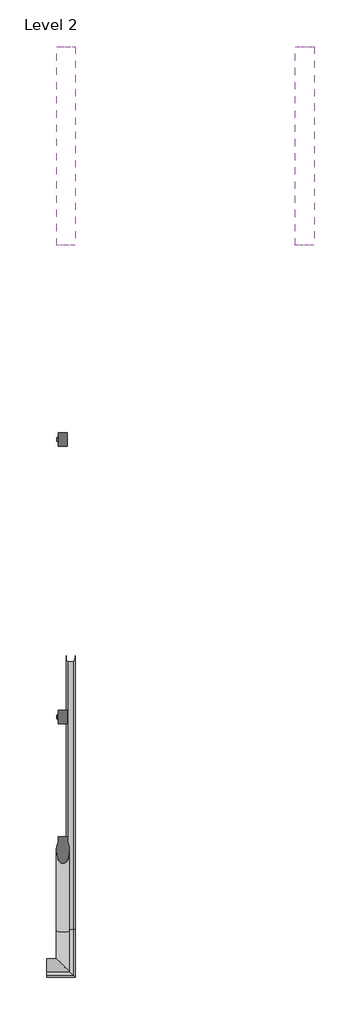
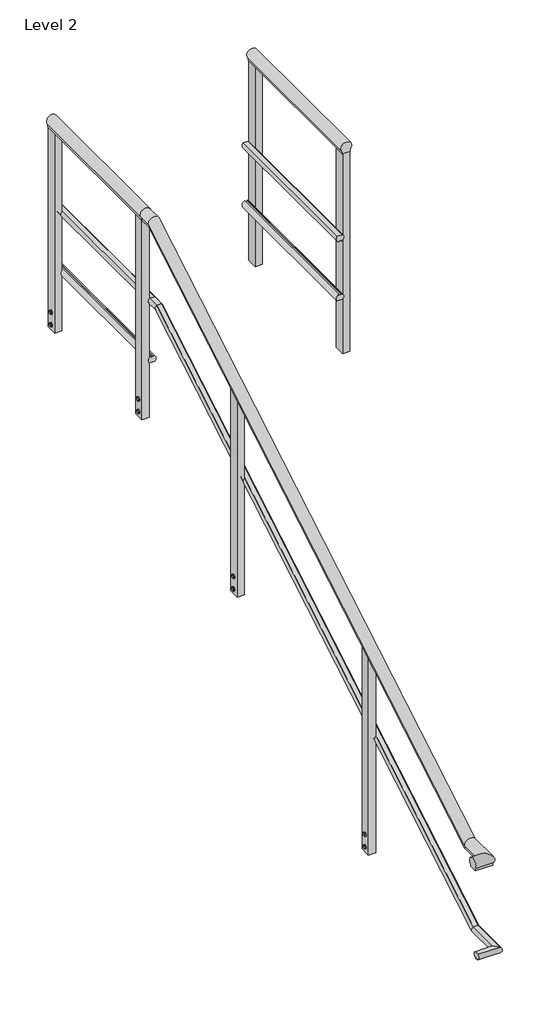
# One storey, part 1 of 4: 3 railings.
"""IFC4 building model written with IfcOpenShell, lengths in millimetres."""

from ifc_helpers import new_model, si_unit, point, frame, frame_2d, origin, place, context, project, spatial, polyline, circle_curve, ellipse_curve, trimmed, segment, composite_curve, outline, extrude, element, save
from ifc_brep_helpers import plane_surface, cylinder_surface, advanced_brep

model = new_model("IFC4")

# Units and contexts
model_context = context("Model", 3, world=origin())
ifc_project = project(units=[si_unit("LENGTHUNIT", "METRE", prefix="MILLI")], contexts=[model_context])

# Site, building, storey
site = spatial("IfcSite", under=ifc_project)
building = spatial("IfcBuilding", under=site)
storey = spatial("IfcBuildingStorey", under=building, Name="Level 2", Elevation=4000.0)

# Railings
placement = place(None, origin())
element("IfcRailing", 1, ObjectType="MT_Accessible stair with Handrail_Level 3_Left", at=placement, inside=storey, context=model_context, shape_type="SolidModel", body=[
    advanced_brep(
    [(-7867.1198503, 2567.5153131, 6690.8057322), (-7867.1198503, 2567.5153131, 6678.0), (-7908.8198503, 2567.5153131, 6678.0), (-7908.8198503, 2567.5153131, 6690.8057322), (-7908.8198503, 2502.5558159, 6690.8057322), (-7867.1198503, 2502.5558159, 6690.8057322), (-7908.8198503, 2506.0632911, 6678.0), (-7867.1198503, 2506.0632911, 6678.0), (-7908.8198503, -389.2234498, 4978.2162889), (-7867.1198503, -389.2234498, 4978.2162889), (-7908.8198503, -385.7159746, 4965.4105567), (-7867.1198503, -385.7159746, 4965.4105567), (-7958.8300828, -565.9449195, 4978.2162889), (-7958.8300828, -524.2449195, 4978.2162889), (-7958.8300828, -524.2449195, 4965.4105567), (-7958.8300828, -565.9449195, 4965.4105567), (-7867.1198503, -565.9449195, 4978.2162889), (-7908.8198503, -524.2449195, 4978.2162889), (-7908.8198503, -524.2449195, 4965.4105567), (-7867.1198503, -565.9449195, 4965.4105567)],
    [
        (0, 1),
        (1, 2),
        (2, 3),
        (3, 0, circle_curve(frame((-7887.9698503, 2567.5153131, 6710.0), z_axis=(0.0, 1.0, 0.0), x_axis=(-1.0, 0.0, 0.0)), 28.3397674)),
        (4, 5, ellipse_curve(frame((-7887.9698503, 2497.2985281, 6710.0), z_axis=(0.0, 0.964476413803478, 0.2641689747430272), x_axis=(0.0, -0.2641689747430272, 0.9644764138034779)), 29.3835775, 28.3397674)),
        (5, 0),
        (3, 4),
        (6, 4),
        (2, 6),
        (7, 6),
        (1, 7),
        (5, 7),
        (8, 9, ellipse_curve(frame((-7887.9698503, -394.4807376, 4997.4105567), z_axis=(0.0, 0.964476413803478, 0.2641689747430272), x_axis=(0.0, 0.2641689747430272, -0.9644764138034779)), 29.3835775, 28.3397674)),
        (9, 5),
        (4, 8),
        (10, 8),
        (6, 10),
        (11, 10),
        (7, 11),
        (9, 11),
        (12, 13, circle_curve(frame((-7958.8300828, -545.0949195, 4997.4105567), z_axis=(-1.0, 0.0, 0.0), x_axis=(0.0, 1.0, 0.0)), 28.3397674)),
        (13, 14),
        (14, 15),
        (15, 12),
        (12, 16),
        (16, 17, ellipse_curve(frame((-7887.9698503, -545.0949195, 4997.4105567), z_axis=(-0.7071067811865481, -0.7071067811865469, 0.0), x_axis=(-0.7071067811865469, 0.7071067811865481, 0.0)), 40.0784834, 28.3397674)),
        (17, 13),
        (17, 18),
        (18, 14),
        (18, 19),
        (19, 15),
        (19, 16),
        (16, 9),
        (8, 17),
        (10, 18),
        (11, 19),
    ],
    [
        plane_surface(frame((-7887.9698503, 2567.5153131, 6678.0), z_axis=(0.0, 1.0, 0.0), x_axis=(0.0, 0.0, 1.0))),
        cylinder_surface(frame((-7887.9698503, 2506.0632911, 6710.0), z_axis=(0.0, -1.0, 0.0), x_axis=(-1.0, 0.0, 0.0)), 28.3397674),
        plane_surface(frame((-7908.8198503, 2502.5558159, 6690.8057322), z_axis=(-1.0, 0.0, 0.0), x_axis=(0.0, 1.0, 0.0))),
        plane_surface(frame((-7908.8198503, 2506.0632911, 6678.0), z_axis=(0.0, 0.0, -1.0), x_axis=(0.0, 1.0, 0.0))),
        plane_surface(frame((-7867.1198503, 2506.0632911, 6678.0), z_axis=(1.0, 0.0, 0.0), x_axis=(0.0, 1.0, 0.0))),
        cylinder_surface(frame((-7887.9698503, -402.0221983, 4992.9443009), z_axis=(0.0, -0.8604295055664357, -0.5095694907965929), x_axis=(-1.0, 0.0, 0.0)), 28.3397674),
        plane_surface(frame((-7908.8198503, -389.2234498, 4978.2162889), z_axis=(-1.0000000000000002, 0.0, 0.0), x_axis=(0.0, 0.8604295055664357, 0.5095694907965931))),
        plane_surface(frame((-7908.8198503, -385.7159746, 4965.4105567), z_axis=(0.0, 0.5095694907965929, -0.8604295055664357), x_axis=(0.0, 0.8604295055664357, 0.5095694907965929))),
        plane_surface(frame((-7867.1198503, -385.7159746, 4965.4105567), z_axis=(1.0, 0.0, 0.0), x_axis=(0.0, 0.8604295055664357, 0.5095694907965929))),
        plane_surface(frame((-7958.8300828, -545.0949195, 4965.4105567), z_axis=(-1.0, 0.0, 0.0), x_axis=(0.0, 1.0, 0.0))),
        cylinder_surface(frame((-7958.8300828, -545.0949195, 4997.4105567), z_axis=(-1.0, 0.0, 0.0), x_axis=(0.0, 1.0, 0.0)), 28.3397674),
        plane_surface(frame((-7958.8300828, -524.2449195, 4978.2162889), z_axis=(0.0, 1.0, 0.0), x_axis=(1.0, 0.0, 0.0))),
        plane_surface(frame((-7958.8300828, -524.2449195, 4965.4105567), z_axis=(0.0, 0.0, -1.0), x_axis=(1.0, 0.0, 0.0))),
        plane_surface(frame((-7958.8300828, -565.9449195, 4965.4105567), z_axis=(0.0, -1.0, 0.0), x_axis=(1.0, 0.0, 0.0))),
        cylinder_surface(frame((-7887.9698503, -545.0949195, 4997.4105567), z_axis=(0.0, -1.0, 0.0), x_axis=(-1.0, 0.0, 0.0)), 28.3397674),
        plane_surface(frame((-7908.8198503, -524.2449195, 4978.2162889), z_axis=(-1.0, 0.0, 0.0), x_axis=(0.0, 1.0, 0.0))),
        plane_surface(frame((-7908.8198503, -524.2449195, 4965.4105567), z_axis=(0.0, 0.0, -1.0), x_axis=(0.0, 1.0, 0.0))),
        plane_surface(frame((-7867.1198503, -565.9449195, 4965.4105567), z_axis=(1.0, 0.0, 0.0), x_axis=(0.0, 1.0, 0.0))),
    ],
    [
        (0, [[1, 2, 3, 4]]),
        (1, [[5, 6, -4, 7]]),
        (2, [[8, -7, -3, 9]]),
        (3, [[10, -9, -2, 11]]),
        (4, [[12, -11, -1, -6]]),
        (5, [[13, 14, -5, 15]]),
        (6, [[16, -15, -8, 17]]),
        (7, [[18, -17, -10, 19]]),
        (8, [[20, -19, -12, -14]]),
        (9, [[21, 22, 23, 24]]),
        (10, [[-21, 25, 26, 27]]),
        (11, [[-22, -27, 28, 29]]),
        (12, [[-23, -29, 30, 31]]),
        (13, [[-24, -31, 32, -25]]),
        (14, [[-26, 33, -13, 34]]),
        (15, [[-28, -34, -16, 35]]),
        (16, [[-30, -35, -18, 36]]),
        (17, [[-32, -36, -20, -33]]),
    ],
),
    advanced_brep(
    [(-7841.4013263, -389.8244572, 4515.4105567), (-7848.5537055, -380.4969427, 4481.3559605), (-7848.5537055, 2511.282323, 6193.9454038), (-7841.4013263, 2501.9548084, 6228.0), (-7867.8588394, -389.8244572, 4515.4105567), (-7867.8588394, 2501.9548084, 6228.0), (-7860.1363, -380.4496927, 4481.1834516), (-7860.1363, 2511.329573, 6193.7728949), (-7860.1363, -381.6074919, 4485.4105567), (-7860.1363, 2510.1717738, 6198.0), (-7848.5537055, -381.6074919, 4485.4105567), (-7848.5537055, 2510.1717738, 6198.0), (-7841.4013263, -591.6634435, 4515.4105567), (-7848.5537055, -584.5110643, 4481.3559605), (-7867.8588394, -565.2059303, 4515.4105567), (-7860.1363, -572.9284697, 4481.1834516), (-7860.1363, -572.9284697, 4485.4105567), (-7848.5537055, -584.5110643, 4485.4105567), (-7848.5537055, 2567.5153131, 6193.9454038), (-7848.5537055, 2567.5153131, 6198.0), (-7860.1363, 2567.5153131, 6198.0), (-7860.1363, 2567.5153131, 6193.7728949), (-7867.8588394, 2567.5153131, 6228.0), (-7841.4013263, 2567.5153131, 6228.0), (-7958.8300828, -584.5110643, 4481.3559605), (-7958.8300828, -591.6634435, 4515.4105567), (-7958.8300828, -565.2059303, 4515.4105567), (-7958.8300828, -572.9284697, 4481.1834516), (-7958.8300828, -572.9284697, 4485.4105567), (-7958.8300828, -584.5110643, 4485.4105567)],
    [
        (0, 1, ellipse_curve(frame((-7854.6300828, -385.7159746, 4500.4105567), z_axis=(0.0, 0.9644764138034779, 0.2641689747430274), x_axis=(0.0, 0.264168974743027, -0.9644764138034783)), 20.7366398, 20.0)),
        (1, 2),
        (2, 3, ellipse_curve(frame((-7854.6300828, 2506.0632911, 6213.0), z_axis=(0.0, -0.9644764138034779, -0.2641689747430274), x_axis=(0.0, 0.264168974743027, -0.9644764138034783)), 20.7366398, 20.0)),
        (3, 0),
        (4, 0),
        (3, 5),
        (5, 4),
        (6, 4, ellipse_curve(frame((-7854.6300828, -385.7159746, 4500.4105567), z_axis=(0.0, 0.9644764138034779, 0.2641689747430274), x_axis=(0.0, 0.264168974743027, -0.9644764138034783)), 20.7366398, 20.0)),
        (5, 7, ellipse_curve(frame((-7854.6300828, 2506.0632911, 6213.0), z_axis=(0.0, -0.9644764138034779, -0.2641689747430274), x_axis=(0.0, 0.264168974743027, -0.9644764138034783)), 20.7366398, 20.0)),
        (7, 6),
        (8, 6),
        (7, 9),
        (9, 8),
        (10, 8),
        (9, 11),
        (11, 10),
        (1, 10),
        (11, 2),
        (12, 13, ellipse_curve(frame((-7854.6300828, -578.4346869, 4500.4105567), z_axis=(0.7071067811865481, 0.7071067811865469, 0.0), x_axis=(0.7071067811865469, -0.7071067811865481, 0.0)), 28.2842712, 20.0)),
        (13, 1),
        (0, 12),
        (14, 12),
        (4, 14),
        (15, 14, ellipse_curve(frame((-7854.6300828, -578.4346869, 4500.4105567), z_axis=(0.7071067811865481, 0.7071067811865469, 0.0), x_axis=(0.7071067811865469, -0.7071067811865481, 0.0)), 28.2842712, 20.0)),
        (6, 15),
        (16, 15),
        (8, 16),
        (17, 16),
        (10, 17),
        (13, 17),
        (18, 19),
        (19, 20),
        (20, 21),
        (21, 22, circle_curve(frame((-7854.6300828, 2567.5153131, 6213.0), z_axis=(0.0, 1.0, 0.0), x_axis=(0.0, 0.0, 1.0)), 20.0)),
        (22, 23),
        (23, 18, circle_curve(frame((-7854.6300828, 2567.5153131, 6213.0), z_axis=(0.0, 1.0, 0.0), x_axis=(0.0, 0.0, 1.0)), 20.0)),
        (2, 18),
        (23, 3),
        (22, 5),
        (21, 7),
        (20, 9),
        (19, 11),
        (24, 25, circle_curve(frame((-7958.8300828, -578.4346869, 4500.4105567), z_axis=(-1.0, 0.0, 0.0), x_axis=(0.0, 0.0, 1.0)), 20.0)),
        (25, 26),
        (26, 27, circle_curve(frame((-7958.8300828, -578.4346869, 4500.4105567), z_axis=(-1.0, 0.0, 0.0), x_axis=(0.0, 0.0, 1.0)), 20.0)),
        (27, 28),
        (28, 29),
        (29, 24),
        (24, 13),
        (12, 25),
        (14, 26),
        (15, 27),
        (16, 28),
        (17, 29),
    ],
    [
        cylinder_surface(frame((-7854.6300828, -385.7159746, 4500.4105567), z_axis=(0.0, -0.8604295055664355, -0.5095694907965933), x_axis=(0.0, -0.5095694907965933, 0.8604295055664355)), 20.0),
        plane_surface(frame((-7841.4013263, -389.8244572, 4515.4105567), z_axis=(0.0, -0.5095694907965934, 0.8604295055664355), x_axis=(0.0, 0.8604295055664355, 0.5095694907965934))),
        plane_surface(frame((-7860.1363, -380.4496927, 4481.1834516), z_axis=(1.0, 0.0, 0.0), x_axis=(0.0, 0.8604295055664355, 0.5095694907965934))),
        plane_surface(frame((-7860.1363, -381.6074919, 4485.4105567), z_axis=(0.0, 0.5095694907965933, -0.8604295055664355), x_axis=(0.0, 0.8604295055664355, 0.5095694907965933))),
        plane_surface(frame((-7848.5537055, -381.6074919, 4485.4105567), z_axis=(-1.0, 0.0, 0.0), x_axis=(0.0, 0.8604295055664355, 0.5095694907965934))),
        cylinder_surface(frame((-7854.6300828, -578.4346869, 4500.4105567), z_axis=(0.0, -1.0, 0.0), x_axis=(0.0, 0.0, 1.0)), 20.0),
        plane_surface(frame((-7841.4013263, -591.6634435, 4515.4105567), z_axis=(0.0, 0.0, 1.0), x_axis=(0.0, 1.0, 0.0))),
        plane_surface(frame((-7860.1363, -572.9284697, 4481.1834516), z_axis=(1.0, 0.0, 0.0), x_axis=(0.0, 1.0, 0.0))),
        plane_surface(frame((-7860.1363, -572.9284697, 4485.4105567), z_axis=(0.0, 0.0, -1.0), x_axis=(0.0, 1.0, 0.0))),
        plane_surface(frame((-7848.5537055, -584.5110643, 4485.4105567), z_axis=(-1.0, 0.0, 0.0), x_axis=(0.0, 1.0, 0.0))),
        plane_surface(frame((-7854.6300828, 2567.5153131, 6213.0), z_axis=(0.0, 1.0, 0.0), x_axis=(0.0, 0.0, 1.0))),
        cylinder_surface(frame((-7854.6300828, 2506.0632911, 6213.0), z_axis=(0.0, -1.0, 0.0), x_axis=(0.0, 0.0, 1.0)), 20.0),
        plane_surface(frame((-7841.4013263, 2501.9548084, 6228.0), z_axis=(0.0, 0.0, 1.0), x_axis=(0.0, 1.0, 0.0))),
        plane_surface(frame((-7860.1363, 2511.329573, 6193.7728949), z_axis=(1.0, 0.0, 0.0), x_axis=(0.0, 1.0, 0.0))),
        plane_surface(frame((-7860.1363, 2510.1717738, 6198.0), z_axis=(0.0, 0.0, -1.0), x_axis=(0.0, 1.0, 0.0))),
        plane_surface(frame((-7848.5537055, 2510.1717738, 6198.0), z_axis=(-1.0, 0.0, 0.0), x_axis=(0.0, 1.0, 0.0))),
        plane_surface(frame((-7958.8300828, -578.4346869, 4500.4105567), z_axis=(-1.0, 0.0, 0.0), x_axis=(0.0, 1.0, 0.0))),
        cylinder_surface(frame((-7958.8300828, -578.4346869, 4500.4105567), z_axis=(-1.0, 0.0, 0.0), x_axis=(0.0, 0.0, 1.0)), 20.0),
        plane_surface(frame((-7958.8300828, -591.6634435, 4515.4105567), z_axis=(0.0, 0.0, 1.0), x_axis=(1.0, 0.0, 0.0))),
        plane_surface(frame((-7958.8300828, -572.9284697, 4481.1834516), z_axis=(0.0, -1.0, 0.0), x_axis=(1.0, 0.0, 0.0))),
        plane_surface(frame((-7958.8300828, -572.9284697, 4485.4105567), z_axis=(0.0, 0.0, -1.0), x_axis=(1.0, 0.0, 0.0))),
        plane_surface(frame((-7958.8300828, -584.5110643, 4485.4105567), z_axis=(0.0, 1.0, 0.0), x_axis=(1.0, 0.0, 0.0))),
    ],
    [
        (0, [[1, 2, 3, 4]]),
        (1, [[5, -4, 6, 7]]),
        (0, [[8, -7, 9, 10]]),
        (2, [[11, -10, 12, 13]]),
        (3, [[14, -13, 15, 16]]),
        (4, [[17, -16, 18, -2]]),
        (5, [[19, 20, -1, 21]]),
        (6, [[22, -21, -5, 23]]),
        (5, [[24, -23, -8, 25]]),
        (7, [[26, -25, -11, 27]]),
        (8, [[28, -27, -14, 29]]),
        (9, [[30, -29, -17, -20]]),
        (10, [[31, 32, 33, 34, 35, 36]]),
        (11, [[-3, 37, -36, 38]]),
        (12, [[-6, -38, -35, 39]]),
        (11, [[-9, -39, -34, 40]]),
        (13, [[-12, -40, -33, 41]]),
        (14, [[-15, -41, -32, 42]]),
        (15, [[-18, -42, -31, -37]]),
        (16, [[43, 44, 45, 46, 47, 48]]),
        (17, [[-43, 49, -19, 50]]),
        (18, [[-44, -50, -22, 51]]),
        (17, [[-45, -51, -24, 52]]),
        (19, [[-46, -52, -26, 53]]),
        (20, [[-47, -53, -28, 54]]),
        (21, [[-48, -54, -30, -49]]),
    ],
),
    extrude(outline(composite_curve([segment(trimmed(circle_curve(frame_2d((1727.3653131, 5201.8341176)), 8.0), [point((1719.3653131, 5201.8341176))], [point((1735.3653131, 5201.8341176))], False, "CARTESIAN"), True, "CONTINUOUS"), segment(trimmed(circle_curve(frame_2d((1727.3653131, 5201.8341176)), 8.0), [point((1735.3653131, 5201.8341176))], [point((1719.3653131, 5201.8341176))], False, "CARTESIAN"), True, "CONTINUOUS")], self_intersect=False)), frame((-7915.0800828, 0.0, 0.0), z_axis=(1.0, 0.0, 0.0), x_axis=(0.0, 1.0, 0.0)), (0.0, 0.0, 1.0), 7.0),
    extrude(outline(composite_curve([segment(trimmed(circle_curve(frame_2d((1727.3653131, 5131.8341176)), 8.0), [point((1719.3653131, 5131.8341176))], [point((1735.3653131, 5131.8341176))], False, "CARTESIAN"), True, "CONTINUOUS"), segment(trimmed(circle_curve(frame_2d((1727.3653131, 5131.8341176)), 8.0), [point((1735.3653131, 5131.8341176))], [point((1719.3653131, 5131.8341176))], False, "CARTESIAN"), True, "CONTINUOUS")], self_intersect=False)), frame((-7915.0800828, 0.0, 0.0), z_axis=(1.0, 0.0, 0.0), x_axis=(0.0, 1.0, 0.0)), (0.0, 0.0, 1.0), 7.0),
    extrude(outline(polyline([(1727.3653131, 5143.381123), (1737.3653131, 5137.6076203), (1737.3653131, 5126.060615), (1727.3653131, 5120.2871123), (1717.3653131, 5126.060615), (1717.3653131, 5137.6076203), (1727.3653131, 5143.381123)])), frame((-7913.0800828, 0.0, 0.0), z_axis=(1.0, 0.0, 0.0), x_axis=(0.0, 1.0, 0.0)), (0.0, 0.0, 1.0), 5.0),
    extrude(outline(polyline([(1717.3653131, 5207.6076203), (1727.3653131, 5213.381123), (1737.3653131, 5207.6076203), (1737.3653131, 5196.060615), (1727.3653131, 5190.2871123), (1717.3653131, 5196.060615), (1717.3653131, 5207.6076203)])), frame((-7913.0800828, 0.0, 0.0), z_axis=(1.0, 0.0, 0.0), x_axis=(0.0, 1.0, 0.0)), (0.0, 0.0, 1.0), 5.0),
    extrude(outline(polyline([(-7908.0800828, 1698.3653131), (-7908.0800828, 1756.3653131), (-7869.5800828, 1756.3653131), (-7869.5800828, 1698.3653131), (-7908.0800828, 1698.3653131)])), frame((0.0, 0.0, 5101.8341176), z_axis=(0.0, 0.0, 1.0), x_axis=(1.0, 0.0, 0.0)), (0.0, 0.0, 1.0), 1145.0),
    extrude(outline(composite_curve([segment(trimmed(circle_curve(frame_2d((527.3653131, 4491.1618487)), 8.0), [point((519.3653131, 4491.1618487))], [point((535.3653131, 4491.1618487))], False, "CARTESIAN"), True, "CONTINUOUS"), segment(trimmed(circle_curve(frame_2d((527.3653131, 4491.1618487)), 8.0), [point((535.3653131, 4491.1618487))], [point((519.3653131, 4491.1618487))], False, "CARTESIAN"), True, "CONTINUOUS")], self_intersect=False)), frame((-7915.0800828, 0.0, 0.0), z_axis=(1.0, 0.0, 0.0), x_axis=(0.0, 1.0, 0.0)), (0.0, 0.0, 1.0), 7.0),
    extrude(outline(composite_curve([segment(trimmed(circle_curve(frame_2d((527.3653131, 4421.1618487)), 8.0), [point((519.3653131, 4421.1618487))], [point((535.3653131, 4421.1618487))], False, "CARTESIAN"), True, "CONTINUOUS"), segment(trimmed(circle_curve(frame_2d((527.3653131, 4421.1618487)), 8.0), [point((535.3653131, 4421.1618487))], [point((519.3653131, 4421.1618487))], False, "CARTESIAN"), True, "CONTINUOUS")], self_intersect=False)), frame((-7915.0800828, 0.0, 0.0), z_axis=(1.0, 0.0, 0.0), x_axis=(0.0, 1.0, 0.0)), (0.0, 0.0, 1.0), 7.0),
    extrude(outline(polyline([(527.3653131, 4432.7088541), (537.3653131, 4426.9353514), (537.3653131, 4415.388346), (527.3653131, 4409.6148434), (517.3653131, 4415.388346), (517.3653131, 4426.9353514), (527.3653131, 4432.7088541)])), frame((-7913.0800828, 0.0, 0.0), z_axis=(1.0, 0.0, 0.0), x_axis=(0.0, 1.0, 0.0)), (0.0, 0.0, 1.0), 5.0),
    extrude(outline(polyline([(517.3653131, 4496.9353514), (527.3653131, 4502.7088541), (537.3653131, 4496.9353514), (537.3653131, 4485.388346), (527.3653131, 4479.6148434), (517.3653131, 4485.388346), (517.3653131, 4496.9353514)])), frame((-7913.0800828, 0.0, 0.0), z_axis=(1.0, 0.0, 0.0), x_axis=(0.0, 1.0, 0.0)), (0.0, 0.0, 1.0), 5.0),
    extrude(outline(polyline([(-7908.0800828, 498.3653131), (-7908.0800828, 556.3653131), (-7869.5800828, 556.3653131), (-7869.5800828, 498.3653131), (-7908.0800828, 498.3653131)])), frame((0.0, 0.0, 4391.1618487), z_axis=(0.0, 0.0, 1.0), x_axis=(1.0, 0.0, 0.0)), (0.0, 0.0, 1.0), 1145.0),
])
element("IfcRailing", 2, ObjectType="MT_Accessible stair with Handrail_Level 4", at=placement, inside=storey, context=model_context, shape_type="SweptSolid", body=[
    extrude(outline(composite_curve([segment(trimmed(circle_curve(frame_2d((6710.0, -7887.1698503)), 28.3397674), [point((6690.8057322, -7866.3198503))], [point((6690.8057322, -7908.0198503))], False, "CARTESIAN"), True, "CONTINUOUS"), segment(polyline([(6690.8057322, -7908.0198503), (6678.0, -7908.0198503), (6678.0, -7866.3198503), (6690.8057322, -7866.3198503)]), True, "CONTINUOUS")], self_intersect=False)), frame((0.0, 2567.5153131, 0.0), z_axis=(0.0, 1.0, 0.0), x_axis=(0.0, 0.0, 1.0)), (0.0, 0.0, 1.0), 859.0),
    extrude(outline(composite_curve([segment(trimmed(circle_curve(frame_2d((6213.1, -7853.8300828)), 20.0), [point((6194.0454038, -7847.7537055))], [point((6228.1, -7840.6013263))], False, "CARTESIAN"), True, "CONTINUOUS"), segment(polyline([(6228.1, -7840.6013263), (6228.1, -7867.0588394)]), True, "CONTINUOUS"), segment(trimmed(circle_curve(frame_2d((6213.1, -7853.8300828)), 20.0), [point((6228.1, -7867.0588394))], [point((6193.8728949, -7859.3363))], False, "CARTESIAN"), True, "CONTINUOUS"), segment(polyline([(6193.8728949, -7859.3363), (6198.1, -7859.3363), (6198.1, -7847.7537055), (6194.0454038, -7847.7537055)]), True, "CONTINUOUS")], self_intersect=False)), frame((0.0, 2567.5153131, 0.0), z_axis=(0.0, 1.0, 0.0), x_axis=(0.0, 0.0, 1.0)), (0.0, 0.0, 1.0), 859.0),
    extrude(outline(composite_curve([segment(trimmed(circle_curve(frame_2d((5882.0, -7853.8300828)), 20.0), [point((5901.0545962, -7859.9064602))], [point((5867.0, -7867.0588394))], False, "CARTESIAN"), True, "CONTINUOUS"), segment(polyline([(5867.0, -7867.0588394), (5867.0, -7840.6013263)]), True, "CONTINUOUS"), segment(trimmed(circle_curve(frame_2d((5882.0, -7853.8300828)), 20.0), [point((5867.0, -7840.6013263))], [point((5901.2271051, -7848.3238656))], False, "CARTESIAN"), True, "CONTINUOUS"), segment(polyline([(5901.2271051, -7848.3238656), (5897.0, -7848.3238656), (5897.0, -7859.9064602), (5901.0545962, -7859.9064602)]), True, "CONTINUOUS")], self_intersect=False)), frame((0.0, 2567.5153131, 0.0), z_axis=(0.0, 1.0, 0.0), x_axis=(0.0, 0.0, 1.0)), (0.0, 0.0, 1.0), 859.0),
    extrude(outline(composite_curve([segment(trimmed(circle_curve(frame_2d((3396.5153131, 5663.1)), 8.0), [point((3388.5153131, 5663.1))], [point((3404.5153131, 5663.1))], False, "CARTESIAN"), True, "CONTINUOUS"), segment(trimmed(circle_curve(frame_2d((3396.5153131, 5663.1)), 8.0), [point((3404.5153131, 5663.1))], [point((3388.5153131, 5663.1))], False, "CARTESIAN"), True, "CONTINUOUS")], self_intersect=False)), frame((-7914.2800828, 0.0, 0.0), z_axis=(1.0, 0.0, 0.0), x_axis=(0.0, 1.0, 0.0)), (0.0, 0.0, 1.0), 7.0),
    extrude(outline(composite_curve([segment(trimmed(circle_curve(frame_2d((3396.5153131, 5593.1)), 8.0), [point((3388.5153131, 5593.1))], [point((3404.5153131, 5593.1))], False, "CARTESIAN"), True, "CONTINUOUS"), segment(trimmed(circle_curve(frame_2d((3396.5153131, 5593.1)), 8.0), [point((3404.5153131, 5593.1))], [point((3388.5153131, 5593.1))], False, "CARTESIAN"), True, "CONTINUOUS")], self_intersect=False)), frame((-7914.2800828, 0.0, 0.0), z_axis=(1.0, 0.0, 0.0), x_axis=(0.0, 1.0, 0.0)), (0.0, 0.0, 1.0), 7.0),
    extrude(outline(polyline([(3396.5153131, 5604.6470054), (3406.5153131, 5598.8735027), (3406.5153131, 5587.3264973), (3396.5153131, 5581.5529946), (3386.5153131, 5587.3264973), (3386.5153131, 5598.8735027), (3396.5153131, 5604.6470054)])), frame((-7912.2800828, 0.0, 0.0), z_axis=(1.0, 0.0, 0.0), x_axis=(0.0, 1.0, 0.0)), (0.0, 0.0, 1.0), 5.0),
    extrude(outline(polyline([(3386.5153131, 5668.8735027), (3396.5153131, 5674.6470054), (3406.5153131, 5668.8735027), (3406.5153131, 5657.3264973), (3396.5153131, 5651.5529946), (3386.5153131, 5657.3264973), (3386.5153131, 5668.8735027)])), frame((-7912.2800828, 0.0, 0.0), z_axis=(1.0, 0.0, 0.0), x_axis=(0.0, 1.0, 0.0)), (0.0, 0.0, 1.0), 5.0),
    extrude(outline(polyline([(-7907.2800828, 3367.5153131), (-7907.2800828, 3425.5153131), (-7868.7800828, 3425.5153131), (-7868.7800828, 3367.5153131), (-7907.2800828, 3367.5153131)])), frame((0.0, 0.0, 5563.1), z_axis=(0.0, 0.0, 1.0), x_axis=(1.0, 0.0, 0.0)), (0.0, 0.0, 1.0), 1144.9),
    extrude(outline(composite_curve([segment(trimmed(circle_curve(frame_2d((2597.5153131, 5663.1)), 8.0), [point((2589.5153131, 5663.1))], [point((2605.5153131, 5663.1))], False, "CARTESIAN"), True, "CONTINUOUS"), segment(trimmed(circle_curve(frame_2d((2597.5153131, 5663.1)), 8.0), [point((2605.5153131, 5663.1))], [point((2589.5153131, 5663.1))], False, "CARTESIAN"), True, "CONTINUOUS")], self_intersect=False)), frame((-7914.2800828, 0.0, 0.0), z_axis=(1.0, 0.0, 0.0), x_axis=(0.0, 1.0, 0.0)), (0.0, 0.0, 1.0), 7.0),
    extrude(outline(composite_curve([segment(trimmed(circle_curve(frame_2d((2597.5153131, 5593.1)), 8.0), [point((2589.5153131, 5593.1))], [point((2605.5153131, 5593.1))], False, "CARTESIAN"), True, "CONTINUOUS"), segment(trimmed(circle_curve(frame_2d((2597.5153131, 5593.1)), 8.0), [point((2605.5153131, 5593.1))], [point((2589.5153131, 5593.1))], False, "CARTESIAN"), True, "CONTINUOUS")], self_intersect=False)), frame((-7914.2800828, 0.0, 0.0), z_axis=(1.0, 0.0, 0.0), x_axis=(0.0, 1.0, 0.0)), (0.0, 0.0, 1.0), 7.0),
    extrude(outline(polyline([(2597.5153131, 5604.6470054), (2607.5153131, 5598.8735027), (2607.5153131, 5587.3264973), (2597.5153131, 5581.5529946), (2587.5153131, 5587.3264973), (2587.5153131, 5598.8735027), (2597.5153131, 5604.6470054)])), frame((-7912.2800828, 0.0, 0.0), z_axis=(1.0, 0.0, 0.0), x_axis=(0.0, 1.0, 0.0)), (0.0, 0.0, 1.0), 5.0),
    extrude(outline(polyline([(2587.5153131, 5668.8735027), (2597.5153131, 5674.6470054), (2607.5153131, 5668.8735027), (2607.5153131, 5657.3264973), (2597.5153131, 5651.5529946), (2587.5153131, 5657.3264973), (2587.5153131, 5668.8735027)])), frame((-7912.2800828, 0.0, 0.0), z_axis=(1.0, 0.0, 0.0), x_axis=(0.0, 1.0, 0.0)), (0.0, 0.0, 1.0), 5.0),
    extrude(outline(polyline([(-7907.2800828, 2568.5153131), (-7907.2800828, 2626.5153131), (-7868.7800828, 2626.5153131), (-7868.7800828, 2568.5153131), (-7907.2800828, 2568.5153131)])), frame((0.0, 0.0, 5563.1), z_axis=(0.0, 0.0, 1.0), x_axis=(1.0, 0.0, 0.0)), (0.0, 0.0, 1.0), 1144.9),
])
element("IfcRailing", 3, ObjectType="MT_Accessible stair with Handrail_Level 4", at=placement, inside=storey, context=model_context, shape_type="SweptSolid", body=[
    extrude(outline(composite_curve([segment(trimmed(circle_curve(frame_2d((6710.0, -6830.4903154)), 28.3397674), [point((6690.8057322, -6809.6403154))], [point((6690.8057322, -6851.3403154))], False, "CARTESIAN"), True, "CONTINUOUS"), segment(polyline([(6690.8057322, -6851.3403154), (6678.0, -6851.3403154), (6678.0, -6809.6403154), (6690.8057322, -6809.6403154)]), True, "CONTINUOUS")], self_intersect=False)), frame((0.0, 2566.5153131, 0.0), z_axis=(0.0, 1.0, 0.0), x_axis=(0.0, 0.0, 1.0)), (0.0, 0.0, 1.0), 860.0),
    extrude(outline(composite_curve([segment(polyline([(6194.0454038, -6869.9064602), (6198.1, -6869.9064602), (6198.1, -6858.3238656), (6193.8728949, -6858.3238656)]), True, "CONTINUOUS"), segment(trimmed(circle_curve(frame_2d((6213.1, -6863.8300828)), 20.0), [point((6193.8728949, -6858.3238656))], [point((6228.1, -6850.6013263))], False, "CARTESIAN"), True, "CONTINUOUS"), segment(polyline([(6228.1, -6850.6013263), (6228.1, -6877.0588394)]), True, "CONTINUOUS"), segment(trimmed(circle_curve(frame_2d((6213.1, -6863.8300828)), 20.0), [point((6228.1, -6877.0588394))], [point((6194.0454038, -6869.9064602))], False, "CARTESIAN"), True, "CONTINUOUS")], self_intersect=False)), frame((0.0, 2566.5153131, 0.0), z_axis=(0.0, 1.0, 0.0), x_axis=(0.0, 0.0, 1.0)), (0.0, 0.0, 1.0), 860.0),
    extrude(outline(composite_curve([segment(polyline([(5901.0545962, -6857.7537055), (5897.0, -6857.7537055), (5897.0, -6869.3363), (5901.2271051, -6869.3363)]), True, "CONTINUOUS"), segment(trimmed(circle_curve(frame_2d((5882.0, -6863.8300828)), 20.0), [point((5901.2271051, -6869.3363))], [point((5867.0, -6877.0588394))], False, "CARTESIAN"), True, "CONTINUOUS"), segment(polyline([(5867.0, -6877.0588394), (5867.0, -6850.6013263)]), True, "CONTINUOUS"), segment(trimmed(circle_curve(frame_2d((5882.0, -6863.8300828)), 20.0), [point((5867.0, -6850.6013263))], [point((5901.0545962, -6857.7537055))], False, "CARTESIAN"), True, "CONTINUOUS")], self_intersect=False)), frame((0.0, 2566.5153131, 0.0), z_axis=(0.0, 1.0, 0.0), x_axis=(0.0, 0.0, 1.0)), (0.0, 0.0, 1.0), 860.0),
    extrude(outline(composite_curve([segment(trimmed(circle_curve(frame_2d((3396.5153131, 5663.1)), 8.0), [point((3388.5153131, 5663.1))], [point((3404.5153131, 5663.1))], False, "CARTESIAN"), True, "CONTINUOUS"), segment(trimmed(circle_curve(frame_2d((3396.5153131, 5663.1)), 8.0), [point((3404.5153131, 5663.1))], [point((3388.5153131, 5663.1))], False, "CARTESIAN"), True, "CONTINUOUS")], self_intersect=False)), frame((-6810.3800828, 0.0, 0.0), z_axis=(1.0, 0.0, 0.0), x_axis=(0.0, 1.0, 0.0)), (0.0, 0.0, 1.0), 7.0),
    extrude(outline(composite_curve([segment(trimmed(circle_curve(frame_2d((3396.5153131, 5593.1)), 8.0), [point((3388.5153131, 5593.1))], [point((3404.5153131, 5593.1))], False, "CARTESIAN"), True, "CONTINUOUS"), segment(trimmed(circle_curve(frame_2d((3396.5153131, 5593.1)), 8.0), [point((3404.5153131, 5593.1))], [point((3388.5153131, 5593.1))], False, "CARTESIAN"), True, "CONTINUOUS")], self_intersect=False)), frame((-6810.3800828, 0.0, 0.0), z_axis=(1.0, 0.0, 0.0), x_axis=(0.0, 1.0, 0.0)), (0.0, 0.0, 1.0), 7.0),
    extrude(outline(polyline([(3396.5153131, 5604.6470054), (3406.5153131, 5598.8735027), (3406.5153131, 5587.3264973), (3396.5153131, 5581.5529946), (3386.5153131, 5587.3264973), (3386.5153131, 5598.8735027), (3396.5153131, 5604.6470054)])), frame((-6810.3800828, 0.0, 0.0), z_axis=(1.0, 0.0, 0.0), x_axis=(0.0, 1.0, 0.0)), (0.0, 0.0, 1.0), 5.0),
    extrude(outline(polyline([(3386.5153131, 5668.8735027), (3396.5153131, 5674.6470054), (3406.5153131, 5668.8735027), (3406.5153131, 5657.3264973), (3396.5153131, 5651.5529946), (3386.5153131, 5657.3264973), (3386.5153131, 5668.8735027)])), frame((-6810.3800828, 0.0, 0.0), z_axis=(1.0, 0.0, 0.0), x_axis=(0.0, 1.0, 0.0)), (0.0, 0.0, 1.0), 5.0),
    extrude(outline(polyline([(-6810.3800828, 3367.5153131), (-6848.8800828, 3367.5153131), (-6848.8800828, 3425.5153131), (-6810.3800828, 3425.5153131), (-6810.3800828, 3367.5153131)])), frame((0.0, 0.0, 5563.1), z_axis=(0.0, 0.0, 1.0), x_axis=(1.0, 0.0, 0.0)), (0.0, 0.0, 1.0), 1144.9),
    extrude(outline(composite_curve([segment(trimmed(circle_curve(frame_2d((2596.5153131, 5663.1)), 8.0), [point((2588.5153131, 5663.1))], [point((2604.5153131, 5663.1))], False, "CARTESIAN"), True, "CONTINUOUS"), segment(trimmed(circle_curve(frame_2d((2596.5153131, 5663.1)), 8.0), [point((2604.5153131, 5663.1))], [point((2588.5153131, 5663.1))], False, "CARTESIAN"), True, "CONTINUOUS")], self_intersect=False)), frame((-6810.3800828, 0.0, 0.0), z_axis=(1.0, 0.0, 0.0), x_axis=(0.0, 1.0, 0.0)), (0.0, 0.0, 1.0), 7.0),
    extrude(outline(composite_curve([segment(trimmed(circle_curve(frame_2d((2596.5153131, 5593.1)), 8.0), [point((2588.5153131, 5593.1))], [point((2604.5153131, 5593.1))], False, "CARTESIAN"), True, "CONTINUOUS"), segment(trimmed(circle_curve(frame_2d((2596.5153131, 5593.1)), 8.0), [point((2604.5153131, 5593.1))], [point((2588.5153131, 5593.1))], False, "CARTESIAN"), True, "CONTINUOUS")], self_intersect=False)), frame((-6810.3800828, 0.0, 0.0), z_axis=(1.0, 0.0, 0.0), x_axis=(0.0, 1.0, 0.0)), (0.0, 0.0, 1.0), 7.0),
    extrude(outline(polyline([(2596.5153131, 5604.6470054), (2606.5153131, 5598.8735027), (2606.5153131, 5587.3264973), (2596.5153131, 5581.5529946), (2586.5153131, 5587.3264973), (2586.5153131, 5598.8735027), (2596.5153131, 5604.6470054)])), frame((-6810.3800828, 0.0, 0.0), z_axis=(1.0, 0.0, 0.0), x_axis=(0.0, 1.0, 0.0)), (0.0, 0.0, 1.0), 5.0),
    extrude(outline(polyline([(2586.5153131, 5668.8735027), (2596.5153131, 5674.6470054), (2606.5153131, 5668.8735027), (2606.5153131, 5657.3264973), (2596.5153131, 5651.5529946), (2586.5153131, 5657.3264973), (2586.5153131, 5668.8735027)])), frame((-6810.3800828, 0.0, 0.0), z_axis=(1.0, 0.0, 0.0), x_axis=(0.0, 1.0, 0.0)), (0.0, 0.0, 1.0), 5.0),
    extrude(outline(polyline([(-6810.3800828, 2567.5153131), (-6848.8800828, 2567.5153131), (-6848.8800828, 2625.5153131), (-6810.3800828, 2625.5153131), (-6810.3800828, 2567.5153131)])), frame((0.0, 0.0, 5563.1), z_axis=(0.0, 0.0, 1.0), x_axis=(1.0, 0.0, 0.0)), (0.0, 0.0, 1.0), 1144.9),
])

save(model, "model.ifc")
